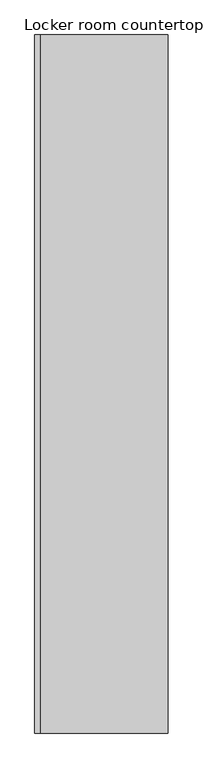
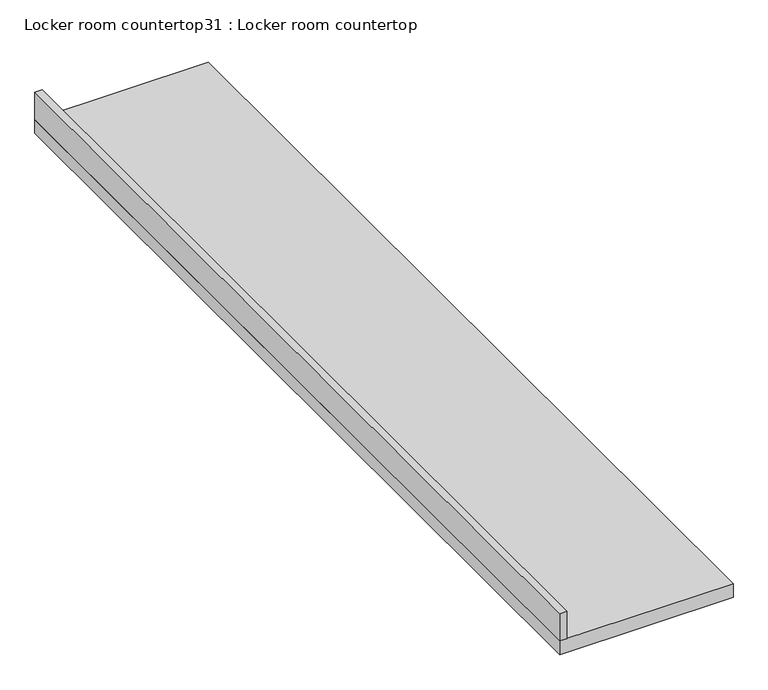
"""IFC4 building model written with IfcOpenShell, lengths in millimetres: furniture geometry, Locker room countertop31 : Locker room countertop."""

import ifcopenshell
import ifcopenshell.guid

model = None  # the IFC model being written
_history = None  # IfcOwnerHistory: only IFC2X3 demands one
_inside = {}  # id of a spatial element -> (the spatial element, [elements in it])
_under = {}  # id of a project, library or spatial element -> (it, [spatial elements below it])
_declared = {}  # id of a project -> (the project, [libraries it declares])
_typed = {}  # id of a type object -> (the type object, [elements of that type])
_made_of = {}  # id of a material, layer set ... -> (it, [elements and type objects made of it])


def new_model(schema):
    """Start an empty IFC model of exactly this schema.

    Asked for "IFC4X3", IfcOpenShell would pick the latest addendum, in which some entities
    have other attributes; the version numbers below select the first issue.
    IFC2X3 requires an IfcOwnerHistory on every rooted entity: one is made here for all.
    """
    global model, _history
    if schema == "IFC4X3":
        model = ifcopenshell.file(schema_version=(4, 3, 0, 0))
    else:
        model = ifcopenshell.file(schema=schema)
    _inside.clear()
    _under.clear()
    _declared.clear()
    _typed.clear()
    _made_of.clear()
    _history = None
    if model.schema == "IFC2X3":
        org = make("IfcOrganization", Name="unknown")
        user = make(
            "IfcPersonAndOrganization",
            ThePerson=make("IfcPerson", FamilyName="unknown"),
            TheOrganization=org,
        )
        app = make(
            "IfcApplication",
            ApplicationDeveloper=org,
            Version="unknown",
            ApplicationFullName="unknown",
            ApplicationIdentifier="unknown",
        )
        _history = make(
            "IfcOwnerHistory",
            OwningUser=user,
            OwningApplication=app,
            ChangeAction="ADDED",
            CreationDate=0,
        )
    return model


def make(cls, **values):
    """One entity of the class cls with the attributes given. An attribute that is None is left unset."""
    return model.create_entity(
        cls, **{name: value for name, value in values.items() if value is not None}
    )


def rooted(cls, **values):
    """An entity with a GlobalId (a new one), such as an element, a storey or a relation."""
    return make(cls, GlobalId=ifcopenshell.guid.new(), OwnerHistory=_history, **values)


def si_unit(unit_type, name, prefix=None):
    """IfcSIUnit, for example si_unit("LENGTHUNIT", "METRE", prefix="MILLI")."""
    return make("IfcSIUnit", UnitType=unit_type, Prefix=prefix, Name=name)


def assignment(units):
    """IfcUnitAssignment: the units of a project."""
    return None if units is None else make("IfcUnitAssignment", Units=units)


def point(xyz):
    """IfcCartesianPoint."""
    return None if xyz is None else make("IfcCartesianPoint", Coordinates=xyz)


def direction(xyz):
    """IfcDirection."""
    return None if xyz is None else make("IfcDirection", DirectionRatios=xyz)


def frame(location, z_axis=None, x_axis=None):
    """IfcAxis2Placement3D, a coordinate frame: its origin and axes. An axis left out is left unset."""
    return make(
        "IfcAxis2Placement3D",
        Location=point(location),
        Axis=direction(z_axis),
        RefDirection=direction(x_axis),
    )


def origin():
    """The frame at (0, 0, 0) with its axes left unset."""
    return frame((0.0, 0.0, 0.0))


def place(relative_to, where):
    """IfcLocalPlacement: puts the frame where relative to a parent placement (None: the world)."""
    return make(
        "IfcLocalPlacement", PlacementRelTo=relative_to, RelativePlacement=where
    )


def context(
    kind, dimensions, precision=None, world=None, true_north=None, identifier=None
):
    """IfcGeometricRepresentationContext, for example the 3D "Model" context."""
    return make(
        "IfcGeometricRepresentationContext",
        ContextIdentifier=identifier,
        ContextType=kind,
        CoordinateSpaceDimension=dimensions,
        Precision=precision,
        WorldCoordinateSystem=world,
        TrueNorth=true_north,
    )


def project(units=None, contexts=None):
    """IfcProject with its units and contexts."""
    return rooted(
        "IfcProject",
        Name="project",
        RepresentationContexts=contexts,
        UnitsInContext=assignment(units),
    )


def spatial(cls, under=None, at=None, **own):
    """A site, building, storey or space (cls), placed at a placement, below another one or the project."""
    s = rooted(cls, ObjectPlacement=at, **own)
    if under is not None:
        _under.setdefault(under.id(), (under, []))[1].append(s)
    return s


def polyline(points):
    """IfcPolyline through the points."""
    return make("IfcPolyline", Points=[point(p) for p in points])


def outline(outer, holes=None, kind="AREA"):
    """IfcArbitraryClosedProfileDef: a profile drawn as a closed curve; with holes, ...WithVoids."""
    if holes is None:
        return make("IfcArbitraryClosedProfileDef", ProfileType=kind, OuterCurve=outer)
    return make(
        "IfcArbitraryProfileDefWithVoids",
        ProfileType=kind,
        OuterCurve=outer,
        InnerCurves=holes,
    )


def extrude(swept, where, along, depth):
    """IfcExtrudedAreaSolid: the profile swept, set in the frame where, extruded along a direction by depth."""
    return make(
        "IfcExtrudedAreaSolid",
        SweptArea=swept,
        Position=where,
        ExtrudedDirection=direction(along),
        Depth=depth,
    )


def shape(context_of_items, identifier, shape_type, items):
    """IfcShapeRepresentation: the items that make up one representation, for example the "Body"."""
    return make(
        "IfcShapeRepresentation",
        ContextOfItems=context_of_items,
        RepresentationIdentifier=identifier,
        RepresentationType=shape_type,
        Items=items,
    )


def source(mapping_origin, context_of_items, identifier, shape_type, items):
    """IfcRepresentationMap: a shape defined once, which mapped items show again and again."""
    return make(
        "IfcRepresentationMap",
        MappingOrigin=mapping_origin,
        MappedRepresentation=shape(context_of_items, identifier, shape_type, items),
    )


def transform(
    local_origin,
    x_axis=None,
    y_axis=None,
    z_axis=None,
    scale=None,
    scale2=None,
    scale3=None,
    uniform=True,
):
    """IfcCartesianTransformationOperator3D, or its non-uniform kind. x_axis, y_axis, z_axis: its Axis1, 2, 3."""
    if uniform:
        return make(
            "IfcCartesianTransformationOperator3D",
            Axis1=direction(x_axis),
            Axis2=direction(y_axis),
            LocalOrigin=point(local_origin),
            Scale=scale,
            Axis3=direction(z_axis),
        )
    return make(
        "IfcCartesianTransformationOperator3DnonUniform",
        Axis1=direction(x_axis),
        Axis2=direction(y_axis),
        LocalOrigin=point(local_origin),
        Scale=scale,
        Axis3=direction(z_axis),
        Scale2=scale2,
        Scale3=scale3,
    )


def mapped(mapping_source, mapping_target):
    """IfcMappedItem: shows the shape of a source again, moved by a transform."""
    return make(
        "IfcMappedItem", MappingSource=mapping_source, MappingTarget=mapping_target
    )


def made_of(thing, what):
    """Note that an element or type object is made of a material, layer set ...; save() writes the relation."""
    if what is not None:
        _made_of.setdefault(what.id(), (what, []))[1].append(thing)
    return thing


def element(
    cls,
    number,
    at=None,
    inside=None,
    cuts=None,
    type_object=None,
    material=None,
    context=None,
    identifier="Body",
    shape_type=None,
    held_by="IfcProductDefinitionShape",
    body=None,
    shapes=None,
    **own,
):
    """One element of the class cls, such as IfcWall. Its Tag is "e" and its number.

    at: its placement. inside: the storey or other place that contains it. cuts: it is an
    opening in that element (IfcRelVoidsElement). A single representation is given by context,
    identifier, shape_type and body (its items); several are given by shapes. held_by: the class
    of the entity that holds the representations. save() writes the other relations.
    """
    e = rooted(cls, Tag="e%d" % number, ObjectPlacement=at, **own)
    if body is not None:
        shapes = [shape(context, identifier, shape_type, body)]
    if shapes is not None:
        e.Representation = make(held_by, Representations=shapes)
    if inside is not None:
        _inside.setdefault(inside.id(), (inside, []))[1].append(e)
    if cuts is not None:
        rooted(
            "IfcRelVoidsElement", RelatingBuildingElement=cuts, RelatedOpeningElement=e
        )
    if type_object is not None:
        _typed.setdefault(type_object.id(), (type_object, []))[1].append(e)
    return made_of(e, material)


def aggregate(whole, parts):
    """IfcRelAggregates: a whole, such as a stair, and the parts it consists of."""
    return rooted("IfcRelAggregates", RelatingObject=whole, RelatedObjects=parts)


def save(model, path):
    """Write the relations noted so far, then the file.

    IfcRelAggregates (storeys below a building ...), IfcRelContainedInSpatialStructure (elements
    in a storey), IfcRelDefinesByType, IfcRelAssociatesMaterial and IfcRelDeclares: one each for
    every whole, place, type object, material and project.
    """
    for whole, parts in _under.values():
        aggregate(whole, parts)
    for where, things in _inside.values():
        rooted(
            "IfcRelContainedInSpatialStructure",
            RelatedElements=things,
            RelatingStructure=where,
        )
    for kind, things in _typed.values():
        rooted("IfcRelDefinesByType", RelatedObjects=things, RelatingType=kind)
    for what, things in _made_of.values():
        rooted("IfcRelAssociatesMaterial", RelatedObjects=things, RelatingMaterial=what)
    for by, libraries in _declared.values():
        rooted("IfcRelDeclares", RelatingContext=by, RelatedDefinitions=libraries)
    model.write(path)


def locker_room_countertop31_locker_room_countertop_666e2fec(model_context):
    return source(origin(), model_context, "Body", "SweptSolid", [
        extrude(outline(polyline([(226200.6218707, -255096.571771), (226200.6218707, -258290.621771), (226175.2218707, -258290.621771), (226175.2218707, -255096.571771), (226200.6218707, -255096.571771)])), frame((0.0, 0.0, 914.4), z_axis=(0.0, 0.0, 1.0), x_axis=(1.0, 0.0, 0.0)), (0.0, 0.0, 1.0), 101.6),
        extrude(outline(polyline([(226784.8218707, -255096.571771), (226784.8218707, -258290.621771), (226175.2218707, -258290.621771), (226175.2218707, -255096.571771), (226784.8218707, -255096.571771)])), frame((0.0, 0.0, 863.6), z_axis=(0.0, 0.0, 1.0), x_axis=(1.0, 0.0, 0.0)), (0.0, 0.0, 1.0), 50.8),
    ])


if __name__ == "__main__":
    model = new_model("IFC4")
    model_context = context("Model", 3, world=origin())
    ifc_project = project(units=[si_unit("LENGTHUNIT", "METRE", prefix="MILLI")], contexts=[model_context])
    site = spatial("IfcSite", under=ifc_project)
    building = spatial("IfcBuilding", under=site)
    placement = place(None, origin())
    locker_room_countertop31_locker_room_countertop_shape = locker_room_countertop31_locker_room_countertop_666e2fec(model_context)
    element("IfcFurniture", 1, ObjectType="Locker room countertop31 : Locker room countertop", at=placement, inside=building, context=model_context, shape_type="MappedRepresentation", body=[
        mapped(locker_room_countertop31_locker_room_countertop_shape, transform((0.0, 0.0, 0.0), x_axis=(1.0, 0.0, 0.0), y_axis=(0.0, 1.0, 0.0), z_axis=(0.0, 0.0, 1.0))),
    ])
    save(model, "model.ifc")
